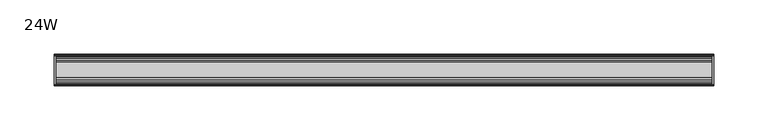
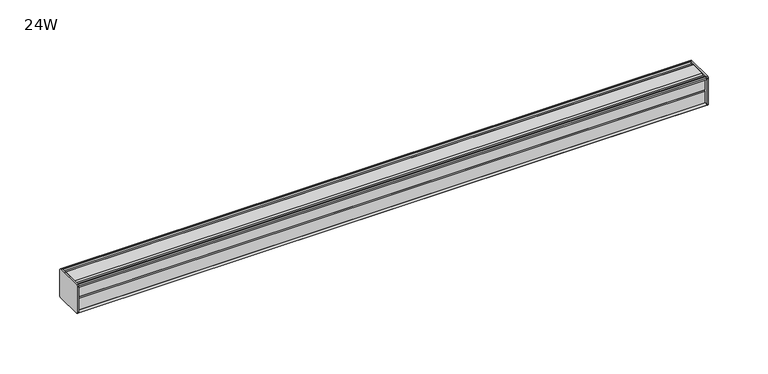
"""IFC4 building model written with IfcOpenShell, lengths in millimetres: furniture geometry, 24W."""

from ifc_helpers import new_model, si_unit, frame, origin, place, context, project, spatial, circle_curve, source, transform, mapped, element, save
from ifc_brep_helpers import plane_surface, cylinder_surface, advanced_brep


def furniture_24w_69853d74(model_context):
    return source(origin(), model_context, "Body", "AdvancedBrep", [
        advanced_brep(
        [(303.2125, 14.5851562, 1373.9436262), (303.2125, 14.5851562, 1347.7932877), (303.2125, 14.4138595, 1346.9873997), (303.2125, 13.8374434, 1346.4109837), (303.2125, 12.9019306, 1346.1603131), (303.2125, -13.4067434, 1346.1603131), (303.2125, -14.3040014, 1347.0575711), (303.2125, -14.5851563, 1347.8259798), (303.2125, -14.5851563, 1373.7443327), (303.2125, -14.3040014, 1374.5127414), (303.2125, -13.4464303, 1375.3703125), (303.2125, 13.0500437, 1375.3703125), (303.2125, 13.8374434, 1375.1593288), (303.2125, 14.4138595, 1374.5829128), (304.8, 14.6248431, 1373.7955131), (304.8, 14.4138595, 1374.5829128), (304.8, 13.8374434, 1375.1593288), (304.8, 13.0500437, 1375.3703125), (304.8, -13.4464303, 1375.3703125), (304.8, -14.3040014, 1374.5127414), (304.8, -14.5851563, 1373.7443327), (304.8, -14.5851563, 1347.8259798), (304.8, -14.3040014, 1347.0575711), (304.8, -13.4067434, 1346.1603131), (304.8, 12.9019306, 1346.1603131), (304.8, 13.8374434, 1346.4109837), (304.8, 14.4138595, 1346.9873997), (304.8, 14.5851562, 1347.7932877)],
        [
            (0, 1),
            (1, 2),
            (2, 3),
            (3, 4),
            (4, 5),
            (5, 6),
            (6, 7, circle_curve(frame((303.2125, -13.3945313, 1347.8259798), z_axis=(-1.0, 0.0, 0.0), x_axis=(0.0, 1.0, 0.0)), 1.190625)),
            (7, 8),
            (8, 9, circle_curve(frame((303.2125, -13.3945313, 1373.7443327), z_axis=(-1.0, 0.0, 0.0), x_axis=(0.0, 1.0, 0.0)), 1.190625)),
            (9, 10),
            (10, 11),
            (11, 12),
            (12, 13),
            (13, 0),
            (14, 15),
            (15, 16),
            (16, 17),
            (17, 18),
            (18, 19),
            (19, 20, circle_curve(frame((304.8, -13.3945313, 1373.7443327), z_axis=(1.0, 0.0, 0.0), x_axis=(0.0, 1.0, 0.0)), 1.190625)),
            (20, 21),
            (21, 22, circle_curve(frame((304.8, -13.3945313, 1347.8259798), z_axis=(1.0, 0.0, 0.0), x_axis=(0.0, 1.0, 0.0)), 1.190625)),
            (22, 23),
            (23, 24),
            (24, 25),
            (25, 26),
            (26, 27),
            (27, 14),
            (13, 15),
            (14, 0),
            (12, 16),
            (11, 17),
            (10, 18),
            (9, 19),
            (8, 20),
            (7, 21),
            (6, 22),
            (5, 23),
            (4, 24),
            (3, 25),
            (2, 26),
            (1, 27),
        ],
        [
            plane_surface(frame((303.2125, 14.5851562, 1347.7932877), z_axis=(-1.0, 0.0, 0.0), x_axis=(0.0, 0.0, -1.0))),
            plane_surface(frame((304.8, 14.5851562, 1347.7932877), z_axis=(1.0, 0.0, 0.0), x_axis=(0.0, 0.0, 1.0))),
            plane_surface(frame((303.2125, 14.4138595, 1374.5829128), z_axis=(0.0, 0.9659256560349858, 0.25881968049857096), x_axis=(1.0, 0.0, 0.0))),
            plane_surface(frame((303.2125, 13.8374434, 1375.1593288), z_axis=(0.0, 0.7071067811866345, 0.7071067811864606), x_axis=(1.0, 0.0, 0.0))),
            plane_surface(frame((303.2125, 13.0500437, 1375.3703125), z_axis=(0.0, 0.25881968048234233, 0.9659256560393343), x_axis=(1.0, 0.0, 0.0))),
            plane_surface(frame((303.2125, -13.4464303, 1375.3703125), z_axis=(0.0, 0.0, 1.0), x_axis=(1.0, 0.0, 0.0))),
            plane_surface(frame((303.2125, -14.3040014, 1374.5127414), z_axis=(0.0, -0.7071067811807561, 0.707106781192339), x_axis=(1.0, 0.0, 0.0))),
            cylinder_surface(frame((304.8, -13.3945313, 1373.7443327), z_axis=(-1.0, 0.0, 0.0), x_axis=(0.0, 1.0, 0.0)), 1.190625),
            plane_surface(frame((303.2125, -14.5851563, 1347.8259798), z_axis=(0.0, -1.0, 0.0), x_axis=(1.0, 0.0, 0.0))),
            cylinder_surface(frame((304.8, -13.3945313, 1347.8259798), z_axis=(-1.0, 0.0, 0.0), x_axis=(0.0, 1.0, 0.0)), 1.190625),
            plane_surface(frame((303.2125, -13.4067434, 1346.1603131), z_axis=(0.0, -0.7071067811894153, -0.7071067811836799), x_axis=(1.0, 0.0, 0.0))),
            plane_surface(frame((303.2125, 12.9019306, 1346.1603131), z_axis=(0.0, 0.0, -1.0), x_axis=(1.0, 0.0, 0.0))),
            plane_surface(frame((303.2125, 13.8374434, 1346.4109837), z_axis=(0.0, 0.25881968049856396, -0.9659256560349876), x_axis=(1.0, 0.0, 0.0))),
            plane_surface(frame((303.2125, 14.4138595, 1346.9873997), z_axis=(0.0, 0.7071067811865204, -0.7071067811865748), x_axis=(1.0, 0.0, 0.0))),
            plane_surface(frame((303.2125, 14.5851562, 1347.7932877), z_axis=(0.0, 0.9781476007322519, -0.2079116908250694), x_axis=(1.0, 0.0, 0.0))),
            plane_surface(frame((303.2125, 14.5851562, 1373.9436262), z_axis=(0.0, 1.0, 0.0), x_axis=(1.0, 0.0, 0.0))),
        ],
        [
            (0, [[1, 2, 3, 4, 5, 6, 7, 8, 9, 10, 11, 12, 13, 14]]),
            (1, [[15, 16, 17, 18, 19, 20, 21, 22, 23, 24, 25, 26, 27, 28]]),
            (2, [[-14, 29, -15, 30]]),
            (3, [[-13, 31, -16, -29]]),
            (4, [[-12, 32, -17, -31]]),
            (5, [[-11, 33, -18, -32]]),
            (6, [[-10, 34, -19, -33]]),
            (7, [[-9, 35, -20, -34]]),
            (8, [[-8, 36, -21, -35]]),
            (9, [[-7, 37, -22, -36]]),
            (10, [[-6, 38, -23, -37]]),
            (11, [[-5, 39, -24, -38]]),
            (12, [[-4, 40, -25, -39]]),
            (13, [[-3, 41, -26, -40]]),
            (14, [[-2, 42, -27, -41]]),
            (15, [[-1, -30, -28, -42]]),
        ],
    ),
        advanced_brep(
        [(-303.2125, 14.6248431, 1373.7955131), (-303.2125, 14.4138595, 1374.5829128), (-303.2125, 13.8374434, 1375.1593288), (-303.2125, 13.0500437, 1375.3703125), (-303.2125, -13.4464303, 1375.3703125), (-303.2125, -14.3040014, 1374.5127414), (-303.2125, -14.5851563, 1373.7443327), (-303.2125, -14.5851563, 1347.8259798), (-303.2125, -14.3040014, 1347.0575711), (-303.2125, -13.4067434, 1346.1603131), (-303.2125, 12.9019306, 1346.1603131), (-303.2125, 13.8374434, 1346.4109837), (-303.2125, 14.4138595, 1346.9873997), (-303.2125, 14.5851562, 1347.7932877), (-304.8, 14.5851562, 1373.9436262), (-304.8, 14.5851562, 1347.7932877), (-304.8, 14.4138595, 1346.9873997), (-304.8, 13.8374434, 1346.4109837), (-304.8, 12.9019306, 1346.1603131), (-304.8, -13.4067434, 1346.1603131), (-304.8, -14.3040014, 1347.0575711), (-304.8, -14.5851563, 1347.8259798), (-304.8, -14.5851563, 1373.7443327), (-304.8, -14.3040014, 1374.5127414), (-304.8, -13.4464303, 1375.3703125), (-304.8, 13.0500437, 1375.3703125), (-304.8, 13.8374434, 1375.1593288), (-304.8, 14.4138595, 1374.5829128)],
        [
            (0, 1),
            (1, 2),
            (2, 3),
            (3, 4),
            (4, 5),
            (5, 6, circle_curve(frame((-303.2125, -13.3945313, 1373.7443327), z_axis=(1.0, 0.0, 0.0), x_axis=(0.0, 1.0, 0.0)), 1.190625)),
            (6, 7),
            (7, 8, circle_curve(frame((-303.2125, -13.3945313, 1347.8259798), z_axis=(1.0, 0.0, 0.0), x_axis=(0.0, 1.0, 0.0)), 1.190625)),
            (8, 9),
            (9, 10),
            (10, 11),
            (11, 12),
            (12, 13),
            (13, 0),
            (14, 15),
            (15, 16),
            (16, 17),
            (17, 18),
            (18, 19),
            (19, 20),
            (20, 21, circle_curve(frame((-304.8, -13.3945313, 1347.8259798), z_axis=(-1.0, 0.0, 0.0), x_axis=(0.0, 1.0, 0.0)), 1.190625)),
            (21, 22),
            (22, 23, circle_curve(frame((-304.8, -13.3945313, 1373.7443327), z_axis=(-1.0, 0.0, 0.0), x_axis=(0.0, 1.0, 0.0)), 1.190625)),
            (23, 24),
            (24, 25),
            (25, 26),
            (26, 27),
            (27, 14),
            (0, 14),
            (27, 1),
            (26, 2),
            (25, 3),
            (24, 4),
            (23, 5),
            (22, 6),
            (21, 7),
            (20, 8),
            (19, 9),
            (18, 10),
            (17, 11),
            (16, 12),
            (15, 13),
        ],
        [
            plane_surface(frame((-303.2125, 14.6248431, 1373.7955131), z_axis=(1.0, 0.0, 0.0), x_axis=(0.0, -0.2588196804654467, 0.9659256560438614))),
            plane_surface(frame((-304.8, 14.6248431, 1373.7955131), z_axis=(-1.0, 0.0, 0.0), x_axis=(0.0, 0.2588196804654467, -0.9659256560438614))),
            plane_surface(frame((-303.2125, 14.6248431, 1373.7955131), z_axis=(0.0, 0.9659256560438614, 0.2588196804654467), x_axis=(-1.0, 0.0, 0.0))),
            plane_surface(frame((-303.2125, 14.4138595, 1374.5829128), z_axis=(0.0, 0.7071067811204292, 0.7071067812526658), x_axis=(-1.0, 0.0, 0.0))),
            plane_surface(frame((-303.2125, 13.8374434, 1375.1593288), z_axis=(0.0, 0.25881968048975534, 0.9659256560373479), x_axis=(-1.0, 0.0, 0.0))),
            plane_surface(frame((-303.2125, 13.0500437, 1375.3703125), z_axis=(0.0, 0.0, 1.0), x_axis=(-1.0, 0.0, 0.0))),
            plane_surface(frame((-303.2125, -13.4464303, 1375.3703125), z_axis=(0.0, -0.7071067811870986, 0.7071067811859965), x_axis=(-1.0, 0.0, 0.0))),
            cylinder_surface(frame((-304.8, -13.3945313, 1373.7443327), z_axis=(1.0, 0.0, 0.0), x_axis=(0.0, 1.0, 0.0)), 1.190625),
            plane_surface(frame((-303.2125, -14.5851563, 1373.7443327), z_axis=(0.0, -1.0, 0.0), x_axis=(-1.0, 0.0, 0.0))),
            cylinder_surface(frame((-304.8, -13.3945313, 1347.8259798), z_axis=(1.0, 0.0, 0.0), x_axis=(0.0, 1.0, 0.0)), 1.190625),
            plane_surface(frame((-303.2125, -14.3040014, 1347.0575711), z_axis=(0.0, -0.7071067811865341, -0.7071067811865609), x_axis=(-1.0, 0.0, 0.0))),
            plane_surface(frame((-303.2125, -13.4067434, 1346.1603131), z_axis=(0.0, 0.0, -1.0), x_axis=(-1.0, 0.0, 0.0))),
            plane_surface(frame((-303.2125, 12.9019306, 1346.1603131), z_axis=(0.0, 0.25881968049856563, -0.9659256560349873), x_axis=(-1.0, 0.0, 0.0))),
            plane_surface(frame((-303.2125, 13.8374434, 1346.4109837), z_axis=(0.0, 0.707106781186519, -0.7071067811865761), x_axis=(-1.0, 0.0, 0.0))),
            plane_surface(frame((-303.2125, 14.4138595, 1346.9873997), z_axis=(0.0, 0.9781476007324962, -0.20791169082391994), x_axis=(-1.0, 0.0, 0.0))),
            plane_surface(frame((-303.2125, 14.5851562, 1347.7932877), z_axis=(0.0, 1.0, 0.0), x_axis=(-1.0, 0.0, 0.0))),
        ],
        [
            (0, [[1, 2, 3, 4, 5, 6, 7, 8, 9, 10, 11, 12, 13, 14]]),
            (1, [[15, 16, 17, 18, 19, 20, 21, 22, 23, 24, 25, 26, 27, 28]]),
            (2, [[-1, 29, -28, 30]]),
            (3, [[-2, -30, -27, 31]]),
            (4, [[-3, -31, -26, 32]]),
            (5, [[-4, -32, -25, 33]]),
            (6, [[-5, -33, -24, 34]]),
            (7, [[-6, -34, -23, 35]]),
            (8, [[-7, -35, -22, 36]]),
            (9, [[-8, -36, -21, 37]]),
            (10, [[-9, -37, -20, 38]]),
            (11, [[-10, -38, -19, 39]]),
            (12, [[-11, -39, -18, 40]]),
            (13, [[-12, -40, -17, 41]]),
            (14, [[-13, -41, -16, 42]]),
            (15, [[-14, -42, -15, -29]]),
        ],
    ),
        advanced_brep(
        [(303.2125, -7.3748315, 1375.3703125), (303.2125, -8.9105708, 1374.3395796), (303.2125, -10.7601399, 1374.3395796), (303.2125, -12.2958792, 1375.3703125), (303.2125, -13.4464303, 1375.3703125), (303.2125, -14.3040014, 1374.5127414), (303.2125, -13.3945313, 1372.5537077), (303.2125, -13.3945313, 1373.465312), (303.2125, -12.2039063, 1373.465312), (303.2125, -12.2039063, 1361.5590632), (303.2125, -11.4101564, 1360.7653134), (303.2125, -12.2039063, 1359.9715636), (303.2125, -12.2039063, 1348.0653131), (303.2125, -13.3945313, 1348.0653131), (303.2125, -13.3945313, 1349.0166048), (303.2125, -14.3040014, 1347.0575711), (303.2125, -13.4067434, 1346.1603131), (303.2125, -12.2958792, 1346.1603131), (303.2125, -10.7601399, 1347.1910471), (303.2125, -8.9105708, 1347.1910471), (303.2125, -7.4339628, 1346.2), (303.2125, 7.4145184, 1346.2), (303.2125, 8.9502576, 1347.2307329), (303.2125, 10.7998291, 1347.2307329), (303.2125, 12.2275037, 1346.2), (303.2125, 13.0500437, 1346.2), (303.2125, 13.8374434, 1346.4109837), (303.2125, 14.4138595, 1346.9873997), (303.2125, 14.5851562, 1347.7932877), (303.2125, 14.5851562, 1373.9436262), (303.2125, 14.4138595, 1374.5829128), (303.2125, 13.8374434, 1375.1593288), (303.2125, 13.0500437, 1375.3703125), (303.2125, 12.2275037, 1375.3703125), (303.2125, 10.7998291, 1374.3395796), (303.2125, 8.9502576, 1374.3395796), (303.2125, 7.4145184, 1375.3703125), (-303.2125, -7.3748315, 1375.3703125), (-303.2125, 7.4145184, 1375.3703125), (-303.2125, 8.9502576, 1374.3395796), (-303.2125, 10.7998291, 1374.3395796), (-303.2125, 12.2275037, 1375.3703125), (-303.2125, 13.0500437, 1375.3703125), (-303.2125, 13.8374434, 1375.1593288), (-303.2125, 14.4138595, 1374.5829128), (-303.2125, 14.6248431, 1373.7955131), (-303.2125, 14.5851562, 1347.7932877), (-303.2125, 14.4138595, 1346.9873997), (-303.2125, 13.8374434, 1346.4109837), (-303.2125, 13.0500437, 1346.2), (-303.2125, 12.2275037, 1346.2), (-303.2125, 10.7998291, 1347.2307329), (-303.2125, 8.9502576, 1347.2307329), (-303.2125, 7.4145184, 1346.2), (-303.2125, -7.4339628, 1346.2), (-303.2125, -8.9105708, 1347.1910471), (-303.2125, -10.7601399, 1347.1910471), (-303.2125, -12.2958792, 1346.1603131), (-303.2125, -13.4067434, 1346.1603131), (-303.2125, -14.3040014, 1347.0575711), (-303.2125, -13.3945313, 1349.0166048), (-303.2125, -13.3945313, 1348.0653131), (-303.2125, -12.2039063, 1348.0653131), (-303.2125, -12.2039063, 1359.9715636), (-303.2125, -11.4101564, 1360.7653134), (-303.2125, -12.2039063, 1361.5590632), (-303.2125, -12.2039063, 1373.465312), (-303.2125, -13.3945313, 1373.465312), (-303.2125, -13.3945313, 1372.5537077), (-303.2125, -14.3040014, 1374.5127414), (-303.2125, -13.4464303, 1375.3703125), (-303.2125, -12.2958792, 1375.3703125), (-303.2125, -10.7601399, 1374.3395796), (-303.2125, -8.9105708, 1374.3395796)],
        [
            (0, 1),
            (1, 2),
            (2, 3),
            (3, 4),
            (4, 5),
            (5, 6, circle_curve(frame((303.2125, -13.3945313, 1373.7443327), z_axis=(1.0, 0.0, 0.0), x_axis=(0.0, 1.0, 0.0)), 1.190625)),
            (6, 7),
            (7, 8),
            (8, 9),
            (9, 10),
            (10, 11),
            (11, 12),
            (12, 13),
            (13, 14),
            (14, 15, circle_curve(frame((303.2125, -13.3945313, 1347.8259798), z_axis=(1.0, 0.0, 0.0), x_axis=(0.0, 1.0, 0.0)), 1.190625)),
            (15, 16),
            (16, 17),
            (17, 18),
            (18, 19),
            (19, 20),
            (20, 21),
            (21, 22),
            (22, 23),
            (23, 24),
            (24, 25),
            (25, 26),
            (26, 27),
            (27, 28),
            (28, 29),
            (29, 30),
            (30, 31),
            (31, 32),
            (32, 33),
            (33, 34),
            (34, 35),
            (35, 36),
            (36, 0),
            (37, 38),
            (38, 39),
            (39, 40),
            (40, 41),
            (41, 42),
            (42, 43),
            (43, 44),
            (44, 45),
            (45, 46),
            (46, 47),
            (47, 48),
            (48, 49),
            (49, 50),
            (50, 51),
            (51, 52),
            (52, 53),
            (53, 54),
            (54, 55),
            (55, 56),
            (56, 57),
            (57, 58),
            (58, 59),
            (59, 60, circle_curve(frame((-303.2125, -13.3945313, 1347.8259798), z_axis=(-1.0, 0.0, 0.0), x_axis=(0.0, 1.0, 0.0)), 1.190625)),
            (60, 61),
            (61, 62),
            (62, 63),
            (63, 64),
            (64, 65),
            (65, 66),
            (66, 67),
            (67, 68),
            (68, 69, circle_curve(frame((-303.2125, -13.3945313, 1373.7443327), z_axis=(-1.0, 0.0, 0.0), x_axis=(0.0, 1.0, 0.0)), 1.190625)),
            (69, 70),
            (70, 71),
            (71, 72),
            (72, 73),
            (73, 37),
            (0, 37),
            (73, 1),
            (72, 2),
            (71, 3),
            (70, 4),
            (69, 5),
            (68, 6),
            (67, 7),
            (66, 8),
            (65, 9),
            (64, 10),
            (63, 11),
            (62, 12),
            (61, 13),
            (60, 14),
            (59, 15),
            (58, 16),
            (57, 17),
            (56, 18),
            (55, 19),
            (54, 20),
            (53, 21),
            (52, 22),
            (51, 23),
            (50, 24),
            (49, 25),
            (48, 26),
            (47, 27),
            (46, 28),
            (45, 29),
            (44, 30),
            (43, 31),
            (42, 32),
            (41, 33),
            (40, 34),
            (39, 35),
            (38, 36),
        ],
        [
            plane_surface(frame((303.2125, -7.3748315, 1375.3703125), z_axis=(1.0000000000000002, 0.0, 0.0), x_axis=(0.0, -0.8303227972591122, -0.5572827400447671))),
            plane_surface(frame((-303.2125, -7.3748315, 1375.3703125), z_axis=(-1.0000000000000002, 0.0, 0.0), x_axis=(0.0, 0.8303227972591122, 0.5572827400447671))),
            plane_surface(frame((303.2125, -7.3748315, 1375.3703125), z_axis=(0.0, -0.5572827400447671, 0.8303227972591122), x_axis=(-1.0, 0.0, 0.0))),
            plane_surface(frame((303.2125, -8.9105708, 1374.3395796), z_axis=(0.0, 0.0, 1.0), x_axis=(-1.0, 0.0, 0.0))),
            plane_surface(frame((303.2125, -10.7601399, 1374.3395796), z_axis=(0.0, 0.5572827400447673, 0.8303227972591121), x_axis=(-1.0, 0.0, 0.0))),
            plane_surface(frame((303.2125, -12.2958792, 1375.3703125), z_axis=(0.0, 0.0, 1.0), x_axis=(-1.0, 0.0, 0.0))),
            plane_surface(frame((303.2125, -13.4464303, 1375.3703125), z_axis=(0.0, -0.7071067811833291, 0.7071067811897659), x_axis=(-1.0, 0.0, 0.0))),
            cylinder_surface(frame((-303.2125, -13.3945313, 1373.7443327), z_axis=(1.0, 0.0, 0.0), x_axis=(0.0, 1.0, 0.0)), 1.190625),
            plane_surface(frame((303.2125, -13.3945313, 1372.5537077), z_axis=(0.0, 1.0, 0.0), x_axis=(-1.0, 0.0, 0.0))),
            plane_surface(frame((303.2125, -13.3945313, 1373.465312), z_axis=(0.0, 0.0, -1.0), x_axis=(-1.0, 0.0, 0.0))),
            plane_surface(frame((303.2125, -12.2039063, 1373.465312), z_axis=(0.0, -1.0, 0.0), x_axis=(-1.0, 0.0, 0.0))),
            plane_surface(frame((303.2125, -12.2039063, 1361.5590632), z_axis=(0.0, -0.7071067811865249, -0.7071067811865701), x_axis=(-1.0, 0.0, 0.0))),
            plane_surface(frame((303.2125, -11.4101564, 1360.7653134), z_axis=(0.0, -0.7071067811865522, 0.7071067811865428), x_axis=(-1.0, 0.0, 0.0))),
            plane_surface(frame((303.2125, -12.2039063, 1359.9715636), z_axis=(0.0, -1.0, 0.0), x_axis=(-1.0, 0.0, 0.0))),
            plane_surface(frame((303.2125, -12.2039063, 1348.0653131), z_axis=(0.0, 0.0, 1.0), x_axis=(-1.0, 0.0, 0.0))),
            plane_surface(frame((303.2125, -13.3945313, 1348.0653131), z_axis=(0.0, 1.0, 0.0), x_axis=(-1.0, 0.0, 0.0))),
            cylinder_surface(frame((-303.2125, -13.3945313, 1347.8259798), z_axis=(1.0, 0.0, 0.0), x_axis=(0.0, 1.0, 0.0)), 1.190625),
            plane_surface(frame((303.2125, -14.3040014, 1347.0575711), z_axis=(0.0, -0.7071067811865901, -0.707106781186505), x_axis=(-1.0, 0.0, 0.0))),
            plane_surface(frame((303.2125, -13.4067434, 1346.1603131), z_axis=(0.0, 0.0, -1.0), x_axis=(-1.0, 0.0, 0.0))),
            plane_surface(frame((303.2125, -12.2958792, 1346.1603131), z_axis=(0.0, 0.5572831632988446, -0.8303225131860712), x_axis=(-1.0, 0.0, 0.0))),
            plane_surface(frame((303.2125, -10.7601399, 1347.1910471), z_axis=(0.0, 0.0, -1.0), x_axis=(-1.0, 0.0, 0.0))),
            plane_surface(frame((303.2125, -8.9105708, 1347.1910471), z_axis=(0.0, -0.5572831633017836, -0.8303225131840987), x_axis=(-1.0, 0.0, 0.0))),
            plane_surface(frame((303.2125, -7.4339628, 1346.2), z_axis=(0.0, 0.0, -1.0), x_axis=(-1.0, 0.0, 0.0))),
            plane_surface(frame((303.2125, 7.4145184, 1346.2), z_axis=(0.0, 0.5572827400504189, -0.8303227972553188), x_axis=(-1.0, 0.0, 0.0))),
            plane_surface(frame((303.2125, 8.9502576, 1347.2307329), z_axis=(0.0, 0.0, -1.0), x_axis=(-1.0, 0.0, 0.0))),
            plane_surface(frame((303.2125, 10.7998291, 1347.2307329), z_axis=(0.0, -0.5853541342124147, -0.8107777362264177), x_axis=(-1.0, 0.0, 0.0))),
            plane_surface(frame((303.2125, 12.2275037, 1346.2), z_axis=(0.0, 0.0, -1.0), x_axis=(-1.0, 0.0, 0.0))),
            plane_surface(frame((303.2125, 13.0500437, 1346.2), z_axis=(0.0, 0.2588196804985639, -0.9659256560349877), x_axis=(-1.0, 0.0, 0.0))),
            plane_surface(frame((303.2125, 13.8374434, 1346.4109837), z_axis=(0.0, 0.7071067811865592, -0.7071067811865358), x_axis=(-1.0, 0.0, 0.0))),
            plane_surface(frame((303.2125, 14.4138595, 1346.9873997), z_axis=(0.0, 0.9781476007325025, -0.20791169082388997), x_axis=(-1.0, 0.0, 0.0))),
            plane_surface(frame((303.2125, 14.5851562, 1347.7932877), z_axis=(0.0, 1.0, 0.0), x_axis=(-1.0, 0.0, 0.0))),
            plane_surface(frame((303.2125, 14.6248431, 1373.7955131), z_axis=(0.0, 0.9659256560439059, 0.2588196804652809), x_axis=(-1.0, 0.0, 0.0))),
            plane_surface(frame((303.2125, 14.4138595, 1374.5829128), z_axis=(0.0, 0.7071067811199622, 0.7071067812531329), x_axis=(-1.0, 0.0, 0.0))),
            plane_surface(frame((303.2125, 13.8374434, 1375.1593288), z_axis=(0.0, 0.2588196804898881, 0.9659256560373124), x_axis=(-1.0, 0.0, 0.0))),
            plane_surface(frame((303.2125, 13.0500437, 1375.3703125), z_axis=(0.0, 0.0, 1.0), x_axis=(-1.0, 0.0, 0.0))),
            plane_surface(frame((303.2125, 12.2275037, 1375.3703125), z_axis=(0.0, -0.5853541342095849, 0.8107777362284607), x_axis=(-1.0, 0.0, 0.0))),
            plane_surface(frame((303.2125, 10.7998291, 1374.3395796), z_axis=(0.0, 0.0, 1.0), x_axis=(-1.0, 0.0, 0.0))),
            plane_surface(frame((303.2125, 8.9502576, 1374.3395796), z_axis=(0.0, 0.5572827400447673, 0.8303227972591121), x_axis=(-1.0, 0.0, 0.0))),
            plane_surface(frame((303.2125, 7.4145184, 1375.3703125), z_axis=(0.0, 0.0, 1.0), x_axis=(-1.0, 0.0, 0.0))),
        ],
        [
            (0, [[1, 2, 3, 4, 5, 6, 7, 8, 9, 10, 11, 12, 13, 14, 15, 16, 17, 18, 19, 20, 21, 22, 23, 24, 25, 26, 27, 28, 29, 30, 31, 32, 33, 34, 35, 36, 37]]),
            (1, [[38, 39, 40, 41, 42, 43, 44, 45, 46, 47, 48, 49, 50, 51, 52, 53, 54, 55, 56, 57, 58, 59, 60, 61, 62, 63, 64, 65, 66, 67, 68, 69, 70, 71, 72, 73, 74]]),
            (2, [[-1, 75, -74, 76]]),
            (3, [[-2, -76, -73, 77]]),
            (4, [[-3, -77, -72, 78]]),
            (5, [[-4, -78, -71, 79]]),
            (6, [[-5, -79, -70, 80]]),
            (7, [[-6, -80, -69, 81]]),
            (8, [[-7, -81, -68, 82]]),
            (9, [[-8, -82, -67, 83]]),
            (10, [[-9, -83, -66, 84]]),
            (11, [[-10, -84, -65, 85]]),
            (12, [[-11, -85, -64, 86]]),
            (13, [[-12, -86, -63, 87]]),
            (14, [[-13, -87, -62, 88]]),
            (15, [[-14, -88, -61, 89]]),
            (16, [[-15, -89, -60, 90]]),
            (17, [[-16, -90, -59, 91]]),
            (18, [[-17, -91, -58, 92]]),
            (19, [[-18, -92, -57, 93]]),
            (20, [[-19, -93, -56, 94]]),
            (21, [[-20, -94, -55, 95]]),
            (22, [[-21, -95, -54, 96]]),
            (23, [[-22, -96, -53, 97]]),
            (24, [[-23, -97, -52, 98]]),
            (25, [[-24, -98, -51, 99]]),
            (26, [[-25, -99, -50, 100]]),
            (27, [[-26, -100, -49, 101]]),
            (28, [[-27, -101, -48, 102]]),
            (29, [[-28, -102, -47, 103]]),
            (30, [[-29, -103, -46, 104]]),
            (31, [[-30, -104, -45, 105]]),
            (32, [[-31, -105, -44, 106]]),
            (33, [[-32, -106, -43, 107]]),
            (34, [[-33, -107, -42, 108]]),
            (35, [[-34, -108, -41, 109]]),
            (36, [[-35, -109, -40, 110]]),
            (37, [[-36, -110, -39, 111]]),
            (38, [[-37, -111, -38, -75]]),
        ],
    ),
    ])


if __name__ == "__main__":
    model = new_model("IFC4")
    model_context = context("Model", 3, world=origin())
    ifc_project = project(units=[si_unit("LENGTHUNIT", "METRE", prefix="MILLI")], contexts=[model_context])
    site = spatial("IfcSite", under=ifc_project)
    building = spatial("IfcBuilding", under=site)
    placement = place(None, origin())
    furniture_24w_shape = furniture_24w_69853d74(model_context)
    element("IfcFurniture", 1, ObjectType="24W", at=placement, inside=building, context=model_context, shape_type="MappedRepresentation", body=[
        mapped(furniture_24w_shape, transform((0.0, 0.0, 0.0), x_axis=(1.0, 0.0, 0.0), y_axis=(0.0, 1.0, 0.0), z_axis=(0.0, 0.0, 1.0))),
    ])
    save(model, "model.ifc")
